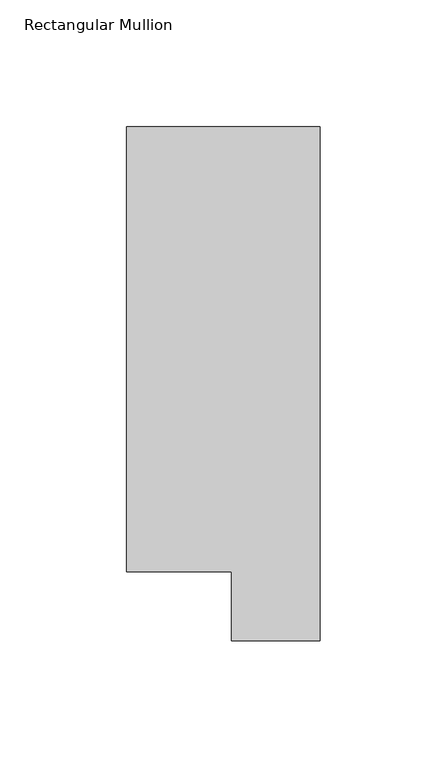
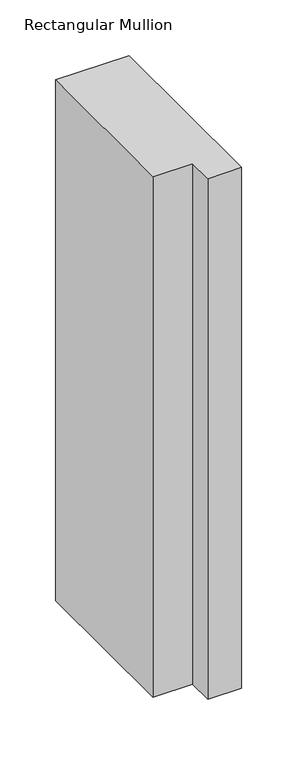
"""IFC4 building model written with IfcOpenShell, lengths in millimetres: member geometry, Rectangular Mullion."""

from ifc_helpers import new_model, si_unit, frame, origin, place, context, project, spatial, polyline, outline, extrude, source, transform, mapped, element, save


def rectangular_mullion_657161a3(model_context):
    return source(origin(), model_context, "Body", "SweptSolid", [
        extrude(outline(polyline([(0.0, 222.0301312), (0.0, 19.5667312), (-34.9123, 19.5667312), (-34.9123, 46.7447302), (-76.2, 46.7447302), (-76.2, 222.0301312), (0.0, 222.0301312)])), frame((0.0, 0.0, -571.3114229), z_axis=(0.0, 0.0, 1.0), x_axis=(1.0, 0.0, 0.0)), (0.0, 0.0, 1.0), 571.3114229),
    ])


if __name__ == "__main__":
    model = new_model("IFC4")
    model_context = context("Model", 3, world=origin())
    ifc_project = project(units=[si_unit("LENGTHUNIT", "METRE", prefix="MILLI")], contexts=[model_context])
    site = spatial("IfcSite", under=ifc_project)
    building = spatial("IfcBuilding", under=site)
    placement = place(None, origin())
    rectangular_mullion_shape = rectangular_mullion_657161a3(model_context)
    element("IfcMember", 1, ObjectType="Rectangular Mullion", at=placement, inside=building, context=model_context, shape_type="MappedRepresentation", body=[
        mapped(rectangular_mullion_shape, transform((0.0, 0.0, 0.0), x_axis=(1.0, 0.0, 0.0), y_axis=(0.0, 1.0, 0.0), z_axis=(0.0, 0.0, 1.0))),
    ])
    save(model, "model.ifc")
